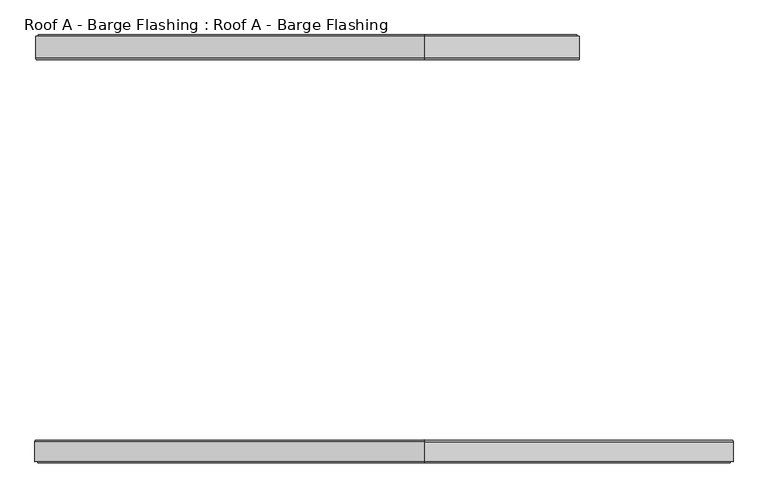
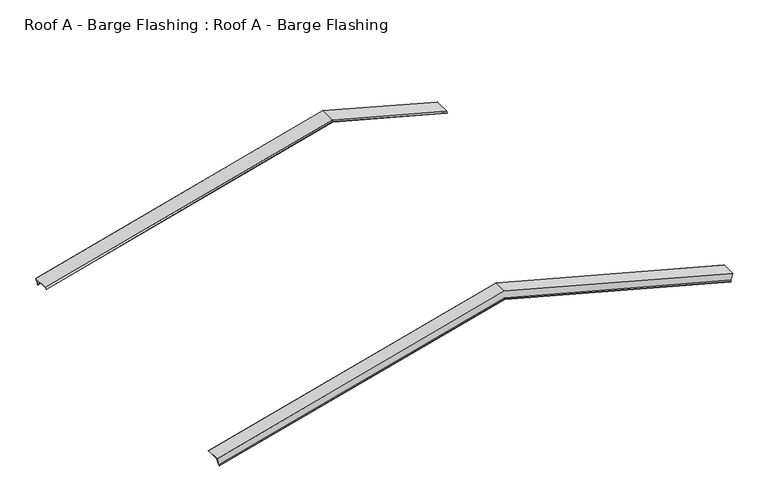
"""IFC4 building model written with IfcOpenShell, lengths in millimetres: proxy geometry, Roof A - Barge Flashing : Roof A - Barge Flashing."""

from ifc_helpers import new_model, si_unit, origin, place, context, project, spatial, faceted_brep, source, transform, mapped, element, save


def roof_a_barge_flashing_roof_a_barge_flashing_7243d898(model_context):
    return source(origin(), model_context, "Body", "Brep", [
        faceted_brep([(5490.8450047, 5012.4120222, 5751.4040697), (5490.8450047, 5292.8954809, 5751.4040697), (5460.2618558, 5292.8954809, 5637.2662041), (5456.7088081, 5306.623403, 5624.0060497), (5454.1466302, 5296.7239081, 5614.4438718), (5453.9636175, 5297.4310148, 5613.7608591), (5456.7088081, 5308.0376166, 5624.0060497), (5460.3690621, 5293.8954809, 5637.6663037), (5491.1038237, 5293.8954809, 5752.3699956), (5491.1038237, 5011.9978087, 5752.3699956), (5486.0709744, 4992.5523722, 5733.5871463), (5485.8879617, 4993.2594789, 5732.9041336), (3500.0, 4993.2594789, 6265.0212092), (3500.0, 5012.4120222, 6284.849381), (3500.0, 4992.5523722, 6265.75326), (3500.0, 5011.9978087, 6285.8846572), (3500.0, 5293.8954809, 6285.8846572), (3500.0, 5293.8954809, 6162.9456108), (-1449.9094945, 5293.8954809, 4836.6213591), (-1480.6442561, 5293.8954809, 4951.325051), (3500.0, 5308.0376166, 6148.3045946), (3500.0, 5297.4310148, 6137.3238325), (3500.0, 5296.7239081, 6138.0558833), (3500.0, 5306.623403, 6148.3045946), (3500.0, 5292.8954809, 6162.5167853), (3500.0, 5292.8954809, 6284.849381), (-1480.385437, 5292.8954809, 4950.3591251), (-1449.8022881, 5292.8954809, 4836.2212595), (-1480.385437, 5012.4120222, 4950.3591251), (-1475.4283941, 4993.2594789, 4931.859189), (-1475.6114068, 4992.5523722, 4932.5422017), (-1480.6442561, 5011.9978087, 4951.325051), (-1446.2492404, 5308.0376166, 4822.9611051), (-1443.5040499, 5297.4310148, 4812.7159145), (-1443.6870626, 5296.7239081, 4813.3989272), (-1446.2492404, 5306.623403, 4822.9611051)], [[[0, 1, 2, 3, 4, 5, 6, 7, 8, 9, 10, 11]], [[0, 11, 12, 13]], [[11, 10, 14, 12]], [[10, 9, 15, 14]], [[9, 8, 16, 15]], [[8, 7, 17, 18, 19, 16]], [[7, 6, 20, 17]], [[6, 5, 21, 20]], [[5, 4, 22, 21]], [[4, 3, 23, 22]], [[3, 2, 24, 23]], [[2, 1, 25, 26, 27, 24]], [[1, 0, 13, 25]], [[28, 29, 30, 31, 19, 18, 32, 33, 34, 35, 27, 26]], [[12, 14, 30, 29]], [[15, 16, 19, 31]], [[17, 20, 32, 18]], [[20, 21, 33, 32]], [[21, 22, 34, 33]], [[22, 23, 35, 34]], [[23, 24, 27, 35]], [[25, 13, 28, 26]], [[13, 12, 29, 28]], [[14, 15, 31, 30]]]),
        faceted_brep([(7461.3336903, 84.8456317, 5223.4132177), (7455.6082783, 106.9669249, 5202.0456893), (7455.791291, 107.6740317, 5202.728702), (7461.5925093, 85.2598452, 5224.3791436), (7461.5925093, -167.8878271, 5224.3791436), (7430.8577477, -167.8878271, 5109.6754517), (7427.1974937, -182.0299627, 5096.0151976), (7424.4523032, -171.423361, 5085.7700071), (7424.6353159, -170.7162542, 5086.4530198), (7427.1974937, -180.6157491, 5096.0151976), (7430.7505414, -166.8878271, 5109.2753521), (7461.3336903, -166.8878271, 5223.4132177), (3500.0, 84.8456317, 6284.849381), (3500.0, 106.9669249, 6261.947733), (3500.0, 107.6740317, 6262.6797838), (3500.0, 85.2598452, 6285.8846572), (3500.0, -167.8878271, 6285.8846572), (-1490.3035143, -167.8878271, 4948.7368605), (-1459.5687527, -167.8878271, 4834.0331687), (3500.0, -167.8878271, 6162.9456108), (3500.0, -182.0299627, 6148.3045946), (3500.0, -171.423361, 6137.3238325), (3500.0, -170.7162542, 6138.0558833), (3500.0, -180.6157491, 6148.3045946), (3500.0, -166.8878271, 6162.5167853), (-1459.4615464, -166.8878271, 4833.6330691), (-1490.0446953, -166.8878271, 4947.7709347), (3500.0, -166.8878271, 6284.849381), (-1490.0446953, 84.8456317, 4947.7709347), (-1455.9084987, -180.6157491, 4820.3729146), (-1453.3463209, -170.7162542, 4810.8107368), (-1453.1633082, -171.423361, 4810.1277241), (-1455.9084987, -182.0299627, 4820.3729146), (-1490.3035143, 85.2598452, 4948.7368605), (-1484.502296, 107.6740317, 4927.0864189), (-1484.3192833, 106.9669249, 4926.4034062)], [[[0, 1, 2, 3, 4, 5, 6, 7, 8, 9, 10, 11]], [[1, 0, 12, 13]], [[2, 1, 13, 14]], [[3, 2, 14, 15]], [[4, 3, 15, 16]], [[5, 4, 16, 17, 18, 19]], [[6, 5, 19, 20]], [[7, 6, 20, 21]], [[8, 7, 21, 22]], [[9, 8, 22, 23]], [[10, 9, 23, 24]], [[11, 10, 24, 25, 26, 27]], [[0, 11, 27, 12]], [[28, 26, 25, 29, 30, 31, 32, 18, 17, 33, 34, 35]], [[14, 13, 35, 34]], [[16, 15, 33, 17]], [[20, 19, 18, 32]], [[21, 20, 32, 31]], [[22, 21, 31, 30]], [[23, 22, 30, 29]], [[24, 23, 29, 25]], [[12, 27, 26, 28]], [[13, 12, 28, 35]], [[15, 14, 34, 33]]]),
    ])


if __name__ == "__main__":
    model = new_model("IFC4")
    model_context = context("Model", 3, world=origin())
    ifc_project = project(units=[si_unit("LENGTHUNIT", "METRE", prefix="MILLI")], contexts=[model_context])
    site = spatial("IfcSite", under=ifc_project)
    building = spatial("IfcBuilding", under=site)
    placement = place(None, origin())
    roof_a_barge_flashing_roof_a_barge_flashing_shape = roof_a_barge_flashing_roof_a_barge_flashing_7243d898(model_context)
    element("IfcBuildingElementProxy", 1, Name="Roof A - Barge Flashing : Roof A - Barge Flashing", ObjectType="Roof A - Barge Flashing : Roof A - Barge Flashing", at=placement, inside=building, context=model_context, shape_type="MappedRepresentation", body=[
        mapped(roof_a_barge_flashing_roof_a_barge_flashing_shape, transform((0.0, 0.0, 0.0), x_axis=(1.0, 0.0, 0.0), y_axis=(0.0, 1.0, 0.0), z_axis=(0.0, 0.0, 1.0))),
    ])
    save(model, "model.ifc")
